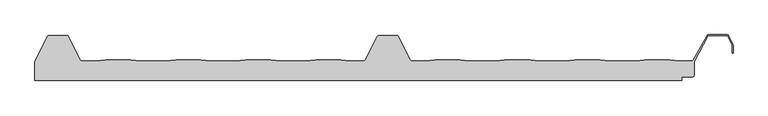
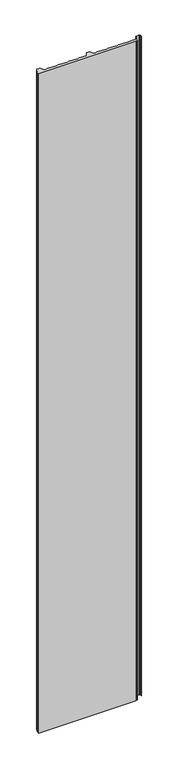
"""IFC4 building model written with IfcOpenShell, lengths in millimetres: proxy geometry."""

import ifcopenshell
import ifcopenshell.guid

model = None  # the IFC model being written
_history = None  # IfcOwnerHistory: only IFC2X3 demands one
_inside = {}  # id of a spatial element -> (the spatial element, [elements in it])
_under = {}  # id of a project, library or spatial element -> (it, [spatial elements below it])
_declared = {}  # id of a project -> (the project, [libraries it declares])
_typed = {}  # id of a type object -> (the type object, [elements of that type])
_made_of = {}  # id of a material, layer set ... -> (it, [elements and type objects made of it])


def new_model(schema):
    """Start an empty IFC model of exactly this schema.

    Asked for "IFC4X3", IfcOpenShell would pick the latest addendum, in which some entities
    have other attributes; the version numbers below select the first issue.
    IFC2X3 requires an IfcOwnerHistory on every rooted entity: one is made here for all.
    """
    global model, _history
    if schema == "IFC4X3":
        model = ifcopenshell.file(schema_version=(4, 3, 0, 0))
    else:
        model = ifcopenshell.file(schema=schema)
    _inside.clear()
    _under.clear()
    _declared.clear()
    _typed.clear()
    _made_of.clear()
    _history = None
    if model.schema == "IFC2X3":
        org = make("IfcOrganization", Name="unknown")
        user = make(
            "IfcPersonAndOrganization",
            ThePerson=make("IfcPerson", FamilyName="unknown"),
            TheOrganization=org,
        )
        app = make(
            "IfcApplication",
            ApplicationDeveloper=org,
            Version="unknown",
            ApplicationFullName="unknown",
            ApplicationIdentifier="unknown",
        )
        _history = make(
            "IfcOwnerHistory",
            OwningUser=user,
            OwningApplication=app,
            ChangeAction="ADDED",
            CreationDate=0,
        )
    return model


def make(cls, **values):
    """One entity of the class cls with the attributes given. An attribute that is None is left unset."""
    return model.create_entity(
        cls, **{name: value for name, value in values.items() if value is not None}
    )


def rooted(cls, **values):
    """An entity with a GlobalId (a new one), such as an element, a storey or a relation."""
    return make(cls, GlobalId=ifcopenshell.guid.new(), OwnerHistory=_history, **values)


def si_unit(unit_type, name, prefix=None):
    """IfcSIUnit, for example si_unit("LENGTHUNIT", "METRE", prefix="MILLI")."""
    return make("IfcSIUnit", UnitType=unit_type, Prefix=prefix, Name=name)


def assignment(units):
    """IfcUnitAssignment: the units of a project."""
    return None if units is None else make("IfcUnitAssignment", Units=units)


def point(xyz):
    """IfcCartesianPoint."""
    return None if xyz is None else make("IfcCartesianPoint", Coordinates=xyz)


def direction(xyz):
    """IfcDirection."""
    return None if xyz is None else make("IfcDirection", DirectionRatios=xyz)


def frame(location, z_axis=None, x_axis=None):
    """IfcAxis2Placement3D, a coordinate frame: its origin and axes. An axis left out is left unset."""
    return make(
        "IfcAxis2Placement3D",
        Location=point(location),
        Axis=direction(z_axis),
        RefDirection=direction(x_axis),
    )


def frame_2d(location, x_axis=None):
    """IfcAxis2Placement2D, a coordinate frame in the plane: its origin and x axis."""
    return make(
        "IfcAxis2Placement2D", Location=point(location), RefDirection=direction(x_axis)
    )


def origin():
    """The frame at (0, 0, 0) with its axes left unset."""
    return frame((0.0, 0.0, 0.0))


def origin_with_axes():
    """The frame at (0, 0, 0) with the z axis (0, 0, 1) and the x axis (1, 0, 0) written out."""
    return frame((0.0, 0.0, 0.0), z_axis=(0.0, 0.0, 1.0), x_axis=(1.0, 0.0, 0.0))


def place(relative_to, where):
    """IfcLocalPlacement: puts the frame where relative to a parent placement (None: the world)."""
    return make(
        "IfcLocalPlacement", PlacementRelTo=relative_to, RelativePlacement=where
    )


def context(
    kind, dimensions, precision=None, world=None, true_north=None, identifier=None
):
    """IfcGeometricRepresentationContext, for example the 3D "Model" context."""
    return make(
        "IfcGeometricRepresentationContext",
        ContextIdentifier=identifier,
        ContextType=kind,
        CoordinateSpaceDimension=dimensions,
        Precision=precision,
        WorldCoordinateSystem=world,
        TrueNorth=true_north,
    )


def project(units=None, contexts=None):
    """IfcProject with its units and contexts."""
    return rooted(
        "IfcProject",
        Name="project",
        RepresentationContexts=contexts,
        UnitsInContext=assignment(units),
    )


def spatial(cls, under=None, at=None, **own):
    """A site, building, storey or space (cls), placed at a placement, below another one or the project."""
    s = rooted(cls, ObjectPlacement=at, **own)
    if under is not None:
        _under.setdefault(under.id(), (under, []))[1].append(s)
    return s


def polyline(points):
    """IfcPolyline through the points."""
    return make("IfcPolyline", Points=[point(p) for p in points])


def circle_curve(where, radius):
    """IfcCircle in the frame where."""
    return make("IfcCircle", Position=where, Radius=radius)


def trimmed(basis, trim1, trim2, sense, master):
    """IfcTrimmedCurve: the piece of a basis curve between two trims."""
    return make(
        "IfcTrimmedCurve",
        BasisCurve=basis,
        Trim1=trim1,
        Trim2=trim2,
        SenseAgreement=sense,
        MasterRepresentation=master,
    )


def segment(curve, same_sense, transition):
    """IfcCompositeCurveSegment."""
    return make(
        "IfcCompositeCurveSegment",
        Transition=transition,
        SameSense=same_sense,
        ParentCurve=curve,
    )


def composite_curve(segments, self_intersect=None):
    """IfcCompositeCurve: segments joined end to end."""
    return make("IfcCompositeCurve", Segments=segments, SelfIntersect=self_intersect)


def outline(outer, holes=None, kind="AREA"):
    """IfcArbitraryClosedProfileDef: a profile drawn as a closed curve; with holes, ...WithVoids."""
    if holes is None:
        return make("IfcArbitraryClosedProfileDef", ProfileType=kind, OuterCurve=outer)
    return make(
        "IfcArbitraryProfileDefWithVoids",
        ProfileType=kind,
        OuterCurve=outer,
        InnerCurves=holes,
    )


def extrude(swept, where, along, depth):
    """IfcExtrudedAreaSolid: the profile swept, set in the frame where, extruded along a direction by depth."""
    return make(
        "IfcExtrudedAreaSolid",
        SweptArea=swept,
        Position=where,
        ExtrudedDirection=direction(along),
        Depth=depth,
    )


def shape(context_of_items, identifier, shape_type, items):
    """IfcShapeRepresentation: the items that make up one representation, for example the "Body"."""
    return make(
        "IfcShapeRepresentation",
        ContextOfItems=context_of_items,
        RepresentationIdentifier=identifier,
        RepresentationType=shape_type,
        Items=items,
    )


def source(mapping_origin, context_of_items, identifier, shape_type, items):
    """IfcRepresentationMap: a shape defined once, which mapped items show again and again."""
    return make(
        "IfcRepresentationMap",
        MappingOrigin=mapping_origin,
        MappedRepresentation=shape(context_of_items, identifier, shape_type, items),
    )


def transform(
    local_origin,
    x_axis=None,
    y_axis=None,
    z_axis=None,
    scale=None,
    scale2=None,
    scale3=None,
    uniform=True,
):
    """IfcCartesianTransformationOperator3D, or its non-uniform kind. x_axis, y_axis, z_axis: its Axis1, 2, 3."""
    if uniform:
        return make(
            "IfcCartesianTransformationOperator3D",
            Axis1=direction(x_axis),
            Axis2=direction(y_axis),
            LocalOrigin=point(local_origin),
            Scale=scale,
            Axis3=direction(z_axis),
        )
    return make(
        "IfcCartesianTransformationOperator3DnonUniform",
        Axis1=direction(x_axis),
        Axis2=direction(y_axis),
        LocalOrigin=point(local_origin),
        Scale=scale,
        Axis3=direction(z_axis),
        Scale2=scale2,
        Scale3=scale3,
    )


def mapped(mapping_source, mapping_target):
    """IfcMappedItem: shows the shape of a source again, moved by a transform."""
    return make(
        "IfcMappedItem", MappingSource=mapping_source, MappingTarget=mapping_target
    )


def made_of(thing, what):
    """Note that an element or type object is made of a material, layer set ...; save() writes the relation."""
    if what is not None:
        _made_of.setdefault(what.id(), (what, []))[1].append(thing)
    return thing


def element(
    cls,
    number,
    at=None,
    inside=None,
    cuts=None,
    type_object=None,
    material=None,
    context=None,
    identifier="Body",
    shape_type=None,
    held_by="IfcProductDefinitionShape",
    body=None,
    shapes=None,
    **own,
):
    """One element of the class cls, such as IfcWall. Its Tag is "e" and its number.

    at: its placement. inside: the storey or other place that contains it. cuts: it is an
    opening in that element (IfcRelVoidsElement). A single representation is given by context,
    identifier, shape_type and body (its items); several are given by shapes. held_by: the class
    of the entity that holds the representations. save() writes the other relations.
    """
    e = rooted(cls, Tag="e%d" % number, ObjectPlacement=at, **own)
    if body is not None:
        shapes = [shape(context, identifier, shape_type, body)]
    if shapes is not None:
        e.Representation = make(held_by, Representations=shapes)
    if inside is not None:
        _inside.setdefault(inside.id(), (inside, []))[1].append(e)
    if cuts is not None:
        rooted(
            "IfcRelVoidsElement", RelatingBuildingElement=cuts, RelatedOpeningElement=e
        )
    if type_object is not None:
        _typed.setdefault(type_object.id(), (type_object, []))[1].append(e)
    return made_of(e, material)


def aggregate(whole, parts):
    """IfcRelAggregates: a whole, such as a stair, and the parts it consists of."""
    return rooted("IfcRelAggregates", RelatingObject=whole, RelatedObjects=parts)


def save(model, path):
    """Write the relations noted so far, then the file.

    IfcRelAggregates (storeys below a building ...), IfcRelContainedInSpatialStructure (elements
    in a storey), IfcRelDefinesByType, IfcRelAssociatesMaterial and IfcRelDeclares: one each for
    every whole, place, type object, material and project.
    """
    for whole, parts in _under.values():
        aggregate(whole, parts)
    for where, things in _inside.values():
        rooted(
            "IfcRelContainedInSpatialStructure",
            RelatedElements=things,
            RelatingStructure=where,
        )
    for kind, things in _typed.values():
        rooted("IfcRelDefinesByType", RelatedObjects=things, RelatingType=kind)
    for what, things in _made_of.values():
        rooted("IfcRelAssociatesMaterial", RelatedObjects=things, RelatingMaterial=what)
    for by, libraries in _declared.values():
        rooted("IfcRelDeclares", RelatingContext=by, RelatedDefinitions=libraries)
    model.write(path)


def generic_models_e4d5720b(model_context):
    return source(origin(), model_context, "Body", "SweptSolid", [
        extrude(outline(composite_curve([segment(polyline([(-34.7672279, -0.4243568), (-15.8623023, 37.2736842)]), True, "CONTINUOUS"), segment(trimmed(circle_curve(frame_2d((-13.1662252, 35.9579456)), 3.0), [point((-15.8623023, 37.2736842))], [point((-13.1662252, 38.9579456))], False, "CARTESIAN"), True, "CONTINUOUS"), segment(polyline([(-13.1662252, 38.9579456), (13.1699133, 38.9579456)]), True, "CONTINUOUS"), segment(trimmed(circle_curve(frame_2d((13.1699133, 35.9579456)), 3.0), [point((13.1699133, 38.9579456))], [point((15.8659904, 37.2736842))], False, "CARTESIAN"), True, "CONTINUOUS"), segment(polyline([(15.8659904, 37.2736842), (33.7548485, 1.6596997)]), True, "CONTINUOUS"), segment(trimmed(circle_curve(frame_2d((36.4387999, 3.0)), 3.0), [point((33.7548485, 1.6596997))], [point((36.4387999, 0.0))], True, "CARTESIAN"), True, "CONTINUOUS"), segment(polyline([(36.4387999, 0.0), (57.5632135, 0.0), (72.4269301, 1.7979456), (110.5462294, 1.7979456), (125.409946, 0.0), (163.5632135, 0.0), (178.4269301, 1.7979456), (216.5462294, 1.7979456), (231.409946, 0.0), (269.5632135, 0.0), (284.4269301, 1.7979456), (322.5462294, 1.7979456), (337.409946, 0.0), (375.5632135, 0.0), (390.4269301, 1.7979456), (428.5462294, 1.7979456), (443.4267677, -0.0020348), (463.1449543, -0.0020348)]), True, "CONTINUOUS"), segment(trimmed(circle_curve(frame_2d((463.1449543, 2.9979652)), 3.0), [point((463.1449543, -0.0020348))], [point((465.8289057, 1.6576649))], True, "CARTESIAN"), True, "CONTINUOUS"), segment(polyline([(465.8289057, 1.6576649), (484.1712683, 37.3482459)]), True, "CONTINUOUS"), segment(trimmed(circle_curve(frame_2d((486.8552196, 36.0079456)), 3.0), [point((484.1712683, 37.3482459))], [point((486.8552196, 39.0079456))], False, "CARTESIAN"), True, "CONTINUOUS"), segment(polyline([(486.8552196, 39.0079456), (513.1449445, 39.0079456)]), True, "CONTINUOUS"), segment(trimmed(circle_curve(frame_2d((513.1449445, 36.0079456)), 3.0), [point((513.1449445, 39.0079456))], [point((515.8288959, 37.3482459))], False, "CARTESIAN"), True, "CONTINUOUS"), segment(polyline([(515.8288959, 37.3482459), (534.1528136, 1.6486489)]), True, "CONTINUOUS"), segment(trimmed(circle_curve(frame_2d((536.856405, 2.9878462)), 3.017094), [point((534.1528136, 1.6486489))], [point((536.4373213, 0.0))], True, "CARTESIAN"), True, "CONTINUOUS"), segment(polyline([(536.4373213, 0.0), (556.5902181, 0.0), (571.4539348, 1.7979456), (609.573234, 1.7979456), (624.4369507, 0.0), (662.5902181, 0.0), (677.4539348, 1.7979456), (715.573234, 1.7979456), (730.4369507, 0.0), (768.5902181, 0.0), (783.4539348, 1.7979456), (821.573234, 1.7979456), (836.4369507, 0.0), (874.5902181, 0.0), (889.4539348, 1.7979456), (927.573234, 1.7979456), (942.4369507, 0.0), (960.1809415, 0.0)]), True, "CONTINUOUS"), segment(trimmed(circle_curve(frame_2d((960.1809415, 3.0)), 3.0), [point((960.1809415, 0.0))], [point((962.8075869, 1.5506091))], True, "CARTESIAN"), True, "CONTINUOUS"), segment(polyline([(962.8075869, 1.5506091), (983.7108944, 38.44698)]), True, "CONTINUOUS"), segment(trimmed(circle_curve(frame_2d((986.3384217, 36.9991886)), 3.0), [point((983.7108944, 38.44698))], [point((986.3384217, 39.9991886))], False, "CARTESIAN"), True, "CONTINUOUS"), segment(polyline([(986.3384217, 39.9991886), (1013.6874272, 39.9991886)]), True, "CONTINUOUS"), segment(trimmed(circle_curve(frame_2d((1013.6874272, 36.9991886)), 3.0), [point((1013.6874272, 39.9991886))], [point((1016.3713786, 38.3394889))], False, "CARTESIAN"), True, "CONTINUOUS"), segment(polyline([(1016.3713786, 38.3394889), (1022.9005634, 25.2647963)]), True, "CONTINUOUS"), segment(trimmed(circle_curve(frame_2d((1020.2166121, 23.9244959)), 3.0), [point((1022.9005634, 25.2647963))], [point((1023.2166121, 23.9244959))], False, "CARTESIAN"), True, "CONTINUOUS"), segment(polyline([(1023.2166121, 23.9244959), (1023.2166121, 12.4550557), (1022.2166121, 12.4550557), (1022.2166121, 23.9244959)]), True, "CONTINUOUS"), segment(trimmed(circle_curve(frame_2d((1020.2166121, 23.9244959)), 2.0), [point((1022.2166121, 23.9244959))], [point((1022.005913, 24.8180295))], True, "CARTESIAN"), True, "CONTINUOUS"), segment(polyline([(1022.005913, 24.8180295), (1015.4767281, 37.8927222)]), True, "CONTINUOUS"), segment(trimmed(circle_curve(frame_2d((1013.6874272, 36.9991886)), 2.0), [point((1015.4767281, 37.8927222))], [point((1013.6874272, 38.9991886))], True, "CARTESIAN"), True, "CONTINUOUS"), segment(polyline([(1013.6874272, 38.9991886), (986.3557773, 38.9991886)]), True, "CONTINUOUS"), segment(trimmed(circle_curve(frame_2d((986.3557773, 36.9991886)), 2.0), [point((986.3557773, 38.9991886))], [point((984.5660869, 37.8919418))], True, "CARTESIAN"), True, "CONTINUOUS"), segment(polyline([(984.5660869, 37.8919418), (964.2351211, -0.7965502), (964.2351211, -21.1020544)]), True, "CONTINUOUS"), segment(trimmed(circle_curve(frame_2d((961.2351211, -21.1020544)), 3.0), [point((964.2351211, -21.1020544))], [point((961.2351211, -24.1020544))], False, "CARTESIAN"), True, "CONTINUOUS"), segment(polyline([(961.2351211, -24.1020544), (945.306253, -24.1020544), (945.306253, -29.1020544), (-34.7672279, -29.1020544), (-34.7672279, -0.4243568)]), True, "CONTINUOUS")], self_intersect=False)), origin_with_axes(), (0.0, 0.0, 1.0), 7000.0),
    ])


if __name__ == "__main__":
    model = new_model("IFC4")
    model_context = context("Model", 3, world=origin())
    ifc_project = project(units=[si_unit("LENGTHUNIT", "METRE", prefix="MILLI")], contexts=[model_context])
    site = spatial("IfcSite", under=ifc_project)
    building = spatial("IfcBuilding", under=site)
    placement = place(None, origin())
    generic_models_shape = generic_models_e4d5720b(model_context)
    element("IfcBuildingElementProxy", 1, Name="Generic Models", at=placement, inside=building, context=model_context, shape_type="MappedRepresentation", body=[
        mapped(generic_models_shape, transform((0.0, 0.0, 0.0), x_axis=(1.0, 0.0, 0.0), y_axis=(0.0, 1.0, 0.0), z_axis=(0.0, 0.0, 1.0))),
    ])
    save(model, "model.ifc")
